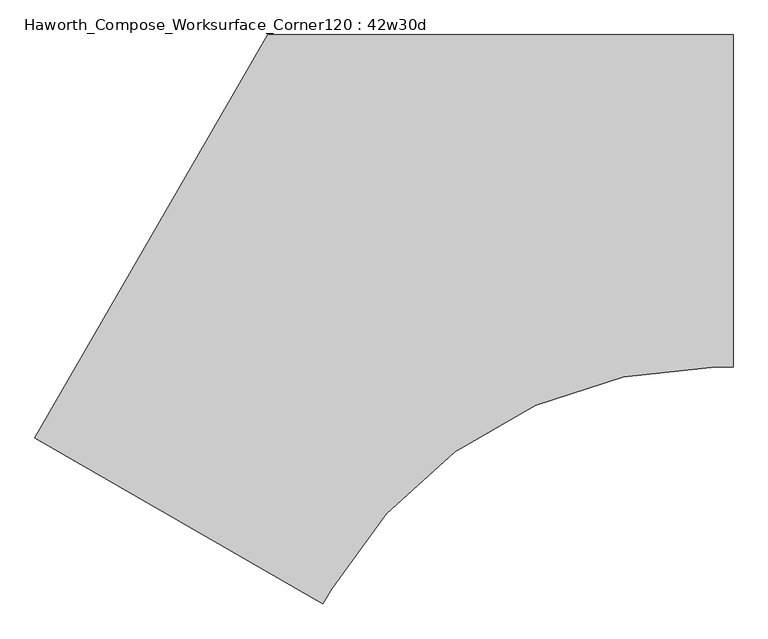
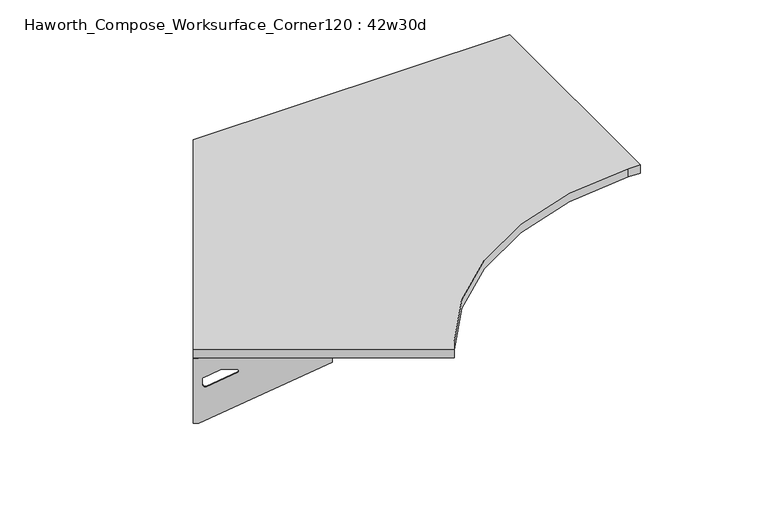
"""IFC4 building model written with IfcOpenShell, lengths in millimetres: furniture geometry, Haworth_Compose_Worksurface_Corner120 : 42w30d."""

from ifc_helpers import new_model, si_unit, point, frame, frame_2d, origin, place, context, project, spatial, polyline, circle_curve, trimmed, segment, composite_curve, outline, extrude, source, transform, mapped, element, save
from ifc_brep_helpers import plane_surface, revolved_surface, advanced_brep


def haworth_compose_worksurface_corner120_42w30d_2d28dead(model_context):
    return source(origin(), model_context, "Body", "SolidModel", [
        advanced_brep(
        [(302.41875, 304.8, 473.86875), (302.41875, 288.925, 473.86875), (302.41875, -101.6, 690.1317568), (302.41875, -101.6, 702.46875), (302.41875, 288.925, 702.46875), (302.41875, 304.8, 702.46875), (302.41875, 221.490072, 664.36875), (302.41875, 177.8355284, 664.36875), (302.41875, 175.1564235, 654.7830539), (302.41875, 266.8776173, 603.9901439), (302.41875, 276.225, 609.5881969), (302.41875, 276.225, 633.0985246), (302.41875, 274.4730055, 635.9367776), (302.41875, 224.5663437, 663.5738425), (304.8, 304.8, 473.86875), (304.8, 304.8, 702.46875), (304.8, 288.925, 702.46875), (304.8, 288.925, 704.85), (304.8, -101.6, 704.85), (304.8, -101.6, 690.1317568), (304.8, 288.925, 473.86875), (304.8, 221.490072, 664.36875), (304.8, 224.5663437, 663.5738425), (304.8, 274.4730055, 635.9367776), (304.8, 276.225, 633.0985246), (304.8, 276.225, 609.5881969), (304.8, 266.8776173, 603.9901439), (304.8, 175.1564235, 654.7830539), (304.8, 177.8355284, 664.36875), (263.525, -101.6, 704.85), (263.525, -101.6, 702.46875), (263.525, 288.925, 702.46875), (263.525, 288.925, 704.85)],
        [
            (0, 1),
            (1, 2),
            (2, 3),
            (3, 4),
            (4, 5),
            (5, 0),
            (6, 7),
            (7, 8, circle_curve(frame((302.41875, 177.8355284, 659.2015106), z_axis=(1.0, 0.0, 0.0), x_axis=(0.0, -1.0, 0.0)), 5.1672394)),
            (8, 9),
            (9, 10, circle_curve(frame((302.41875, 269.875, 609.5881969), z_axis=(1.0, 0.0, 0.0), x_axis=(0.0, -1.0, 0.0)), 6.35)),
            (10, 11),
            (11, 12, circle_curve(frame((302.41875, 273.05, 633.0985246), z_axis=(1.0, 0.0, 0.0), x_axis=(0.0, -1.0, 0.0)), 3.175)),
            (12, 13),
            (13, 6, circle_curve(frame((302.41875, 221.490072, 658.01875), z_axis=(1.0, 0.0, 0.0), x_axis=(0.0, -1.0, 0.0)), 6.35)),
            (14, 15),
            (15, 16),
            (16, 17),
            (17, 18),
            (18, 19),
            (19, 20),
            (20, 14),
            (21, 22, circle_curve(frame((304.8, 221.490072, 658.01875), z_axis=(-1.0, 0.0, 0.0), x_axis=(0.0, -1.0, 0.0)), 6.35)),
            (22, 23),
            (23, 24, circle_curve(frame((304.8, 273.05, 633.0985246), z_axis=(-1.0, 0.0, 0.0), x_axis=(0.0, -1.0, 0.0)), 3.175)),
            (24, 25),
            (25, 26, circle_curve(frame((304.8, 269.875, 609.5881969), z_axis=(-1.0, 0.0, 0.0), x_axis=(0.0, -1.0, 0.0)), 6.35)),
            (26, 27),
            (27, 28, circle_curve(frame((304.8, 177.8355284, 659.2015106), z_axis=(-1.0, 0.0, 0.0), x_axis=(0.0, -1.0, 0.0)), 5.1672394)),
            (28, 21),
            (4, 16),
            (15, 5),
            (14, 0),
            (20, 1),
            (19, 2),
            (18, 29),
            (29, 30),
            (30, 3),
            (6, 21),
            (28, 7),
            (9, 26),
            (25, 10),
            (24, 11),
            (23, 12),
            (27, 8),
            (31, 4),
            (30, 31),
            (32, 29),
            (17, 32),
            (31, 32),
            (22, 13),
        ],
        [
            plane_surface(frame((302.41875, 304.8, 473.86875), z_axis=(-1.0, 0.0, 0.0), x_axis=(0.0, 1.0, 0.0))),
            plane_surface(frame((304.8, 304.8, 473.86875), z_axis=(1.0, 0.0, 0.0), x_axis=(0.0, -1.0, 0.0))),
            plane_surface(frame((304.8, -101.6, 702.46875), z_axis=(0.0, 0.0, 1.0), x_axis=(-1.0, 0.0, 0.0))),
            plane_surface(frame((304.8, 304.8, 702.46875), z_axis=(0.0, 1.0, 0.0), x_axis=(-1.0, 0.0, 0.0))),
            plane_surface(frame((304.8, 304.8, 473.86875), z_axis=(0.0, 0.0, -1.0), x_axis=(-1.0, 0.0, 0.0))),
            plane_surface(frame((304.8, 288.925, 473.86875), z_axis=(0.0, -0.4844522351345575, -0.8748177135112957), x_axis=(-1.0, 0.0, 0.0))),
            plane_surface(frame((304.8, -101.6, 690.1317568), z_axis=(0.0, -1.0, 0.0), x_axis=(-1.0, 0.0, 0.0))),
            plane_surface(frame((304.8, 221.490072, 664.36875), z_axis=(0.0, 0.0, -1.0), x_axis=(-1.0, 0.0, 0.0))),
            revolved_surface(polyline([(302.41875, 263.525, 609.5881969), (304.8, 263.525, 609.5881969)]), (304.8, 269.875, 609.5881969), (-1.0, 0.0, 0.0)),
            plane_surface(frame((304.8, 276.225, 609.5881969), z_axis=(0.0, -1.0, 0.0), x_axis=(-1.0, 0.0, 0.0))),
            revolved_surface(polyline([(302.41875, 269.875, 633.0985246), (304.8, 269.875, 633.0985246)]), (304.8, 273.05, 633.0985246), (-1.0, 0.0, 0.0)),
            revolved_surface(polyline([(302.41875, 172.668289, 659.2015106), (304.8, 172.668289, 659.2015106)]), (304.8, 177.8355284, 659.2015106), (-1.0, 0.0, 0.0)),
            plane_surface(frame((304.8, 288.925, 702.46875), z_axis=(0.0, 0.0, -1.0), x_axis=(-1.0, 0.0, 0.0))),
            plane_surface(frame((304.8, 288.925, 704.85), z_axis=(0.0, 0.0, 1.0), x_axis=(1.0, 0.0, 0.0))),
            plane_surface(frame((263.525, 288.925, 704.85), z_axis=(0.0, 1.0, 0.0), x_axis=(0.0, 0.0, -1.0))),
            plane_surface(frame((263.525, -101.6, 704.85), z_axis=(-1.0, 0.0, 0.0), x_axis=(0.0, 0.0, -1.0))),
            plane_surface(frame((304.8, 175.1564235, 654.7830539), z_axis=(0.0, 0.4844522351341526, 0.8748177135115199), x_axis=(-1.0, 0.0, 0.0))),
            plane_surface(frame((304.8, 274.4730055, 635.9367776), z_axis=(0.0, -0.48445223513456226, -0.874817713511293), x_axis=(-1.0, 0.0, 0.0))),
            revolved_surface(polyline([(302.41875, 215.140072, 658.01875), (304.8, 215.140072, 658.01875)]), (304.8, 221.490072, 658.01875), (-1.0, 0.0, 0.0)),
        ],
        [
            (0, [[1, 2, 3, 4, 5, 6], [7, 8, 9, 10, 11, 12, 13, 14]]),
            (1, [[15, 16, 17, 18, 19, 20, 21], [22, 23, 24, 25, 26, 27, 28, 29]]),
            (2, [[-5, 30, -16, 31]]),
            (3, [[-31, -15, 32, -6]]),
            (4, [[-32, -21, 33, -1]]),
            (5, [[-33, -20, 34, -2]]),
            (6, [[-34, -19, 35, 36, 37, -3]]),
            (7, [[38, -29, 39, -7]]),
            (8, [[40, -26, 41, -10]]),
            (9, [[-41, -25, 42, -11]]),
            (10, [[-42, -24, 43, -12]]),
            (11, [[-39, -28, 44, -8]]),
            (12, [[45, -4, -37, 46]]),
            (13, [[47, -35, -18, 48]]),
            (14, [[-17, -30, -45, 49, -48]]),
            (15, [[-36, -47, -49, -46]]),
            (16, [[-44, -27, -40, -9]]),
            (17, [[-43, -23, 50, -13]]),
            (18, [[-50, -22, -38, -14]]),
        ],
    ),
        advanced_brep(
        [(-1294.209375, -617.0136778, 473.86875), (-1294.209375, -617.0136778, 702.46875), (-1280.4612217, -624.9511778, 702.46875), (-942.2566509, -820.2136778, 702.46875), (-942.2566509, -820.2136778, 690.1317568), (-1280.4612217, -624.9511778, 473.86875), (-1222.060861, -658.6686418, 664.36875), (-1224.7249904, -657.1305059, 663.5738425), (-1267.9454274, -632.177175, 635.9367776), (-1269.4626991, -631.3011778, 633.0985246), (-1269.4626991, -631.3011778, 609.5881969), (-1261.3676282, -635.9748691, 603.9901439), (-1181.9347443, -681.835466, 654.7830539), (-1184.2549172, -680.4959136, 664.36875), (-1295.4, -619.0759008, 473.86875), (-1281.6518467, -627.0134008, 473.86875), (-943.4472759, -822.2759008, 690.1317568), (-943.4472759, -822.2759008, 704.85), (-1281.6518467, -627.0134008, 704.85), (-1281.6518467, -627.0134008, 702.46875), (-1295.4, -619.0759008, 702.46875), (-1223.251486, -660.7308648, 664.36875), (-1185.4455422, -682.5581365, 664.36875), (-1183.1253693, -683.897689, 654.7830539), (-1262.5582532, -638.0370921, 603.9901439), (-1270.6533241, -633.3634008, 609.5881969), (-1270.6533241, -633.3634008, 633.0985246), (-1269.1360524, -634.239398, 635.9367776), (-1225.9156154, -659.1927289, 663.5738425), (-922.8097759, -786.5307022, 702.46875), (-922.8097759, -786.5307022, 704.85), (-1261.0143467, -591.2682022, 702.46875), (-1261.0143467, -591.2682022, 704.85)],
        [
            (0, 1),
            (1, 2),
            (2, 3),
            (3, 4),
            (4, 5),
            (5, 0),
            (6, 7, circle_curve(frame((-1222.060861, -658.6686418, 658.01875), z_axis=(-0.5000000000000026, -0.8660254037844374, 0.0), x_axis=(0.8660254037844372, -0.5000000000000024, 0.0)), 6.35)),
            (7, 8),
            (8, 9, circle_curve(frame((-1266.7130684, -632.8886778, 633.0985246), z_axis=(-0.5000000000000026, -0.8660254037844374, 0.0), x_axis=(0.8660254037844372, -0.5000000000000024, 0.0)), 3.175)),
            (9, 10),
            (10, 11, circle_curve(frame((-1263.9634378, -634.4761778, 609.5881969), z_axis=(-0.5000000000000026, -0.8660254037844374, 0.0), x_axis=(0.8660254037844372, -0.5000000000000024, 0.0)), 6.35)),
            (11, 12),
            (12, 13, circle_curve(frame((-1184.2549172, -680.4959136, 659.2015106), z_axis=(-0.5000000000000026, -0.8660254037844374, 0.0), x_axis=(0.8660254037844372, -0.5000000000000024, 0.0)), 5.1672394)),
            (13, 6),
            (14, 15),
            (15, 16),
            (16, 17),
            (17, 18),
            (18, 19),
            (19, 20),
            (20, 14),
            (21, 22),
            (22, 23, circle_curve(frame((-1185.4455422, -682.5581365, 659.2015106), z_axis=(0.5000000000000026, 0.8660254037844374, 0.0), x_axis=(0.8660254037844372, -0.5000000000000024, 0.0)), 5.1672394)),
            (23, 24),
            (24, 25, circle_curve(frame((-1265.1540628, -636.5384008, 609.5881969), z_axis=(0.5000000000000026, 0.8660254037844374, 0.0), x_axis=(0.8660254037844372, -0.5000000000000024, 0.0)), 6.35)),
            (25, 26),
            (26, 27, circle_curve(frame((-1267.9036934, -634.9509008, 633.0985246), z_axis=(0.5000000000000026, 0.8660254037844374, 0.0), x_axis=(0.8660254037844372, -0.5000000000000024, 0.0)), 3.175)),
            (27, 28),
            (28, 21, circle_curve(frame((-1223.251486, -660.7308648, 658.01875), z_axis=(0.5000000000000026, 0.8660254037844374, 0.0), x_axis=(0.8660254037844372, -0.5000000000000024, 0.0)), 6.35)),
            (1, 20),
            (19, 2),
            (0, 14),
            (5, 15),
            (4, 16),
            (3, 29),
            (29, 30),
            (30, 17),
            (13, 22),
            (21, 6),
            (10, 25),
            (24, 11),
            (9, 26),
            (8, 27),
            (12, 23),
            (31, 29),
            (2, 31),
            (32, 18),
            (30, 32),
            (32, 31),
            (7, 28),
        ],
        [
            plane_surface(frame((-1294.209375, -617.0136778, 473.86875), z_axis=(0.5000000000000026, 0.8660254037844373, 0.0), x_axis=(-0.8660254037844373, 0.5000000000000026, 0.0))),
            plane_surface(frame((-1295.4, -619.0759008, 473.86875), z_axis=(-0.5000000000000026, -0.8660254037844373, 0.0), x_axis=(0.8660254037844373, -0.5000000000000026, 0.0))),
            plane_surface(frame((-943.4472759, -822.2759008, 702.46875), z_axis=(0.0, 0.0, 1.0), x_axis=(0.5000000000000011, 0.866025403784438, 0.0))),
            plane_surface(frame((-1295.4, -619.0759008, 702.46875), z_axis=(-0.866025403784438, 0.5000000000000011, 0.0), x_axis=(0.5000000000000011, 0.866025403784438, 0.0))),
            plane_surface(frame((-1295.4, -619.0759008, 473.86875), z_axis=(0.0, 0.0, -1.0), x_axis=(0.5000000000000011, 0.866025403784438, 0.0))),
            plane_surface(frame((-1281.6518467, -627.0134008, 473.86875), z_axis=(0.41954794254667943, -0.24222611756727808, -0.8748177135112957), x_axis=(0.5000000000000011, 0.866025403784438, 0.0))),
            plane_surface(frame((-943.4472759, -822.2759008, 690.1317568), z_axis=(0.866025403784438, -0.5000000000000011, 0.0), x_axis=(0.5000000000000011, 0.866025403784438, 0.0))),
            plane_surface(frame((-1223.251486, -660.7308648, 664.36875), z_axis=(0.0, 0.0, -1.0), x_axis=(0.5000000000000011, 0.866025403784438, 0.0))),
            revolved_surface(polyline([(-1258.46417645195, -637.6511777483158, 609.5881969), (-1259.6548014859688, -639.7134008, 609.5881969)]), (-1265.1540628, -636.5384008, 609.5881969), (0.5000000000000024, 0.8660254037844372, 0.0)),
            plane_surface(frame((-1270.6533241, -633.3634008, 609.5881969), z_axis=(0.866025403784438, -0.5000000000000011, 0.0), x_axis=(0.5000000000000011, 0.866025403784438, 0.0))),
            revolved_surface(polyline([(-1263.9634377398502, -634.4761778018095, 633.0985246), (-1265.1540627537306, -636.5384008186128, 633.0985246)]), (-1267.9036934, -634.9509008, 633.0985246), (0.5000000000000024, 0.8660254037844372, 0.0)),
            revolved_surface(polyline([(-1179.7799566313815, -683.0795332405233, 659.2015106), (-1180.9705816345158, -685.1417562387139, 659.2015106)]), (-1185.4455422, -682.5581365, 659.2015106), (0.5000000000000024, 0.8660254037844372, 0.0)),
            plane_surface(frame((-1281.6518467, -627.0134008, 702.46875), z_axis=(0.0, 0.0, -1.0), x_axis=(0.5000000000000011, 0.866025403784438, 0.0))),
            plane_surface(frame((-1281.6518467, -627.0134008, 704.85), z_axis=(0.0, 0.0, 1.0), x_axis=(-0.5000000000000011, -0.866025403784438, 0.0))),
            plane_surface(frame((-1261.0143467, -591.2682022, 704.85), z_axis=(-0.866025403784438, 0.5000000000000011, 0.0), x_axis=(0.0, 0.0, -1.0))),
            plane_surface(frame((-922.8097759, -786.5307022, 704.85), z_axis=(0.5000000000000011, 0.866025403784438, 0.0), x_axis=(0.0, 0.0, -1.0))),
            plane_surface(frame((-1183.1253693, -683.897689, 654.7830539), z_axis=(-0.41954794254632877, 0.24222611756707563, 0.87481771351152), x_axis=(0.5000000000000011, 0.866025403784438, 0.0))),
            plane_surface(frame((-1269.1360524, -634.239398, 635.9367776), z_axis=(0.4195479425466836, -0.24222611756728046, -0.874817713511293), x_axis=(0.5000000000000011, 0.866025403784438, 0.0))),
            revolved_surface(polyline([(-1216.5615996508982, -661.8436417464941, 658.01875), (-1217.752224685969, -663.9058648, 658.01875)]), (-1223.251486, -660.7308648, 658.01875), (0.5000000000000024, 0.8660254037844372, 0.0)),
        ],
        [
            (0, [[1, 2, 3, 4, 5, 6], [7, 8, 9, 10, 11, 12, 13, 14]]),
            (1, [[15, 16, 17, 18, 19, 20, 21], [22, 23, 24, 25, 26, 27, 28, 29]]),
            (2, [[30, -20, 31, -2]]),
            (3, [[-1, 32, -21, -30]]),
            (4, [[-6, 33, -15, -32]]),
            (5, [[-5, 34, -16, -33]]),
            (6, [[-4, 35, 36, 37, -17, -34]]),
            (7, [[-14, 38, -22, 39]]),
            (8, [[-11, 40, -25, 41]]),
            (9, [[-10, 42, -26, -40]]),
            (10, [[-9, 43, -27, -42]]),
            (11, [[-13, 44, -23, -38]]),
            (12, [[45, -35, -3, 46]]),
            (13, [[47, -18, -37, 48]]),
            (14, [[-47, 49, -46, -31, -19]]),
            (15, [[-45, -49, -48, -36]]),
            (16, [[-12, -41, -24, -44]]),
            (17, [[-8, 50, -28, -43]]),
            (18, [[-7, -39, -29, -50]]),
        ],
    ),
        extrude(outline(composite_curve([segment(polyline([(-1295.4, -619.0759008), (-762.0, 304.8), (304.8, 304.8), (304.8, -457.2), (264.5287786, -457.2)]), True, "CONTINUOUS"), segment(trimmed(circle_curve(frame_2d((264.5287786, -1473.2)), 1016.0), [point((264.5287786, -457.2))], [point((-615.3530316, -965.2))], True, "CARTESIAN"), True, "CONTINUOUS"), segment(polyline([(-615.3530316, -965.2), (-635.4886423, -1000.0759008), (-1295.4, -619.0759008)]), True, "CONTINUOUS")], self_intersect=False)), frame((0.0, 0.0, 706.4375), z_axis=(0.0, 0.0, 1.0), x_axis=(1.0, 0.0, 0.0)), (0.0, 0.0, 1.0), 30.1625),
    ])


if __name__ == "__main__":
    model = new_model("IFC4")
    model_context = context("Model", 3, world=origin())
    ifc_project = project(units=[si_unit("LENGTHUNIT", "METRE", prefix="MILLI")], contexts=[model_context])
    site = spatial("IfcSite", under=ifc_project)
    building = spatial("IfcBuilding", under=site)
    placement = place(None, origin())
    haworth_compose_worksurface_corner120_42w30d_shape = haworth_compose_worksurface_corner120_42w30d_2d28dead(model_context)
    element("IfcFurniture", 1, ObjectType="Haworth_Compose_Worksurface_Corner120 : 42w30d", at=placement, inside=building, context=model_context, shape_type="MappedRepresentation", body=[
        mapped(haworth_compose_worksurface_corner120_42w30d_shape, transform((0.0, 0.0, 0.0), x_axis=(1.0, 0.0, 0.0), y_axis=(0.0, 1.0, 0.0), z_axis=(0.0, 0.0, 1.0))),
    ])
    save(model, "model.ifc")
